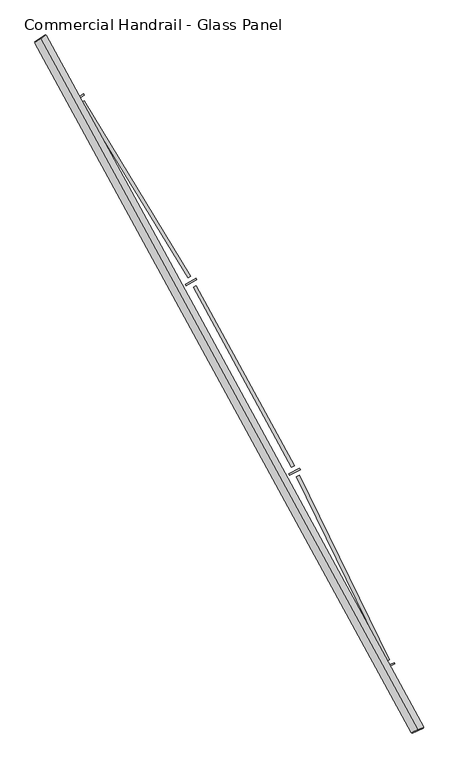
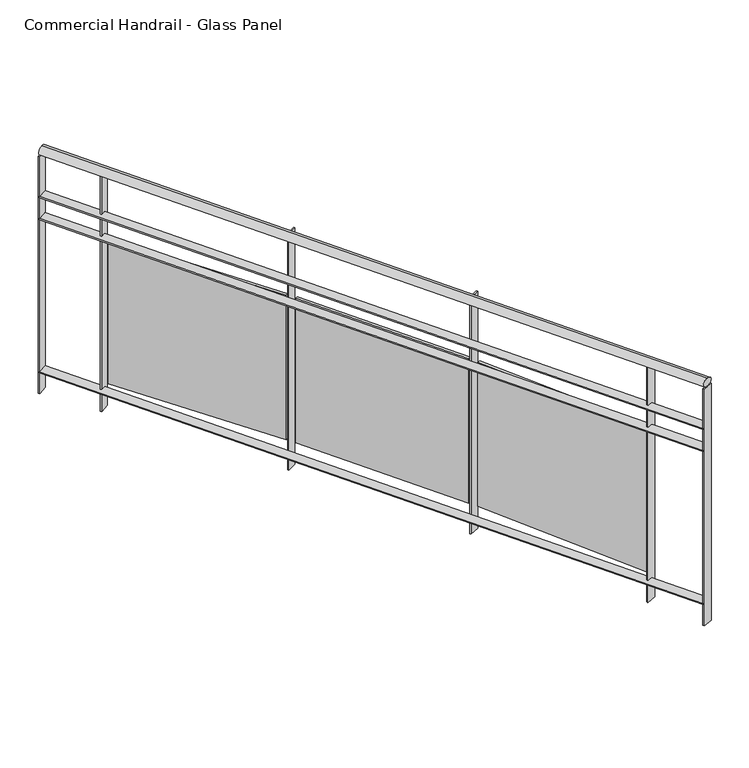
"""IFC4 building model written with IfcOpenShell, lengths in millimetres: railing geometry, Commercial Handrail - Glass Panel."""

from ifc_helpers import new_model, si_unit, point, frame, origin, place, context, project, spatial, polyline, circle_curve, ellipse_curve, trimmed, outline, extrude, source, transform, mapped, element, save
from ifc_brep_helpers import plane_surface, cylinder_surface, revolved_surface, advanced_brep


def commercial_handrail_glass_panel_9da19c7a(model_context):
    return source(origin(), model_context, "Body", "SolidModel", [
        advanced_brep(
        [(152681.2087099, -42805.7971709, 23082.5), (154079.9485011, -45365.2391742, 23082.5), (154079.9485011, -45365.2391742, 23117.5), (152681.2087099, -42805.7971709, 23117.5)],
        [
            (0, 1, circle_curve(frame((138512.5563245, -52210.9198633, 23082.5), z_axis=(0.0, 0.0, -1.0), x_axis=(0.9154011077709024, 0.40254293173747885, 0.0)), 17006.0884179)),
            (1, 2, ellipse_curve(frame((154079.9485011, -45365.2391742, 23100.0), z_axis=(-0.4025429317374835, 0.9154011077709004, 0.0), x_axis=(0.9154011077709004, 0.4025429317374835, 0.0)), 25.0, 17.5)),
            (2, 3, circle_curve(frame((138512.5563245, -52210.9198633, 23117.5), z_axis=(0.0, 0.0, 1.0), x_axis=(0.9154011077709024, 0.40254293173747885, 0.0)), 17006.0884179)),
            (3, 0, ellipse_curve(frame((152681.2087099, -42805.7971709, 23100.0), z_axis=(0.5530444427532936, -0.8331517534877418, 0.0), x_axis=(0.8331517534877418, 0.5530444427532936, 0.0)), 25.0, 17.5)),
            (2, 1, ellipse_curve(frame((154079.9485011, -45365.2391742, 23100.0), z_axis=(-0.4025429317374835, 0.9154011077709004, 0.0), x_axis=(0.9154011077709004, 0.4025429317374835, 0.0)), 25.0, 17.5)),
            (0, 3, ellipse_curve(frame((152681.2087099, -42805.7971709, 23100.0), z_axis=(0.5530444427532936, -0.8331517534877418, 0.0), x_axis=(0.8331517534877418, 0.5530444427532936, 0.0)), 25.0, 17.5)),
        ],
        [
            revolved_surface(trimmed(ellipse_curve(frame((154079.9485011, -45365.2391742, 23100.0), z_axis=(0.40254293173747885, -0.9154011077709024, 0.0), x_axis=(0.0, 0.0, -1.0)), 17.5, 25.0), [point((154079.9485011, -45365.2391742, 23117.5))], [point((154079.9485011, -45365.2391742, 23082.5))], True, "CARTESIAN"), (138512.5563245, -52210.9198633, 23100.0), (0.0, 0.0, 1.0)),
            revolved_surface(trimmed(ellipse_curve(frame((154079.9485011, -45365.2391742, 23100.0), z_axis=(0.40254293173747885, -0.9154011077709024, 0.0), x_axis=(0.0, 0.0, -1.0)), 17.5, 25.0), [point((154079.9485011, -45365.2391742, 23082.5))], [point((154079.9485011, -45365.2391742, 23117.5))], True, "CARTESIAN"), (138512.5563245, -52210.9198633, 23100.0), (0.0, 0.0, 1.0)),
            plane_surface(frame((154079.9485011, -45365.2391742, 23100.0), z_axis=(0.4025429317374789, -0.9154011077709026, 0.0), x_axis=(0.9154011077709026, 0.4025429317374789, 0.0))),
            plane_surface(frame((152681.2087099, -42805.7971709, 23100.0), z_axis=(-0.5530444427532946, 0.8331517534877412, 0.0), x_axis=(0.8331517534877412, 0.5530444427532946, 0.0))),
        ],
        [
            (0, [[1, 2, 3, 4]]),
            (1, [[-3, 5, -1, 6]]),
            (2, [[-2, -5]]),
            (3, [[-6, -4]]),
        ],
    ),
        advanced_brep(
        [(152662.4627954, -42818.2406708, 22900.0), (154059.3519762, -45374.2963902, 22900.0), (154100.545026, -45356.1819583, 22900.0), (152699.9546243, -42793.3536709, 22900.0), (152662.4627954, -42818.2406708, 22894.0), (154059.3519762, -45374.2963902, 22894.0), (152699.9546243, -42793.3536709, 22894.0), (154100.545026, -45356.1819583, 22894.0)],
        [
            (0, 1, circle_curve(frame((138512.5563245, -52210.9198633, 22900.0), z_axis=(0.0, 0.0, -1.0), x_axis=(0.9154011077709024, 0.40254293173747885, 0.0)), 16983.5884179)),
            (1, 2),
            (2, 3, circle_curve(frame((138512.5563245, -52210.9198633, 22900.0), z_axis=(0.0, 0.0, 1.0), x_axis=(0.9154011077709024, 0.40254293173747885, 0.0)), 17028.5884179)),
            (3, 0),
            (4, 5, circle_curve(frame((138512.5563245, -52210.9198633, 22894.0), z_axis=(0.0, 0.0, -1.0), x_axis=(0.9154011077709024, 0.40254293173747885, 0.0)), 16983.5884179)),
            (5, 1),
            (0, 4),
            (6, 7, circle_curve(frame((138512.5563245, -52210.9198633, 22894.0), z_axis=(0.0, 0.0, -1.0), x_axis=(0.9154011077709024, 0.40254293173747885, 0.0)), 17028.5884179)),
            (7, 5),
            (4, 6),
            (2, 7),
            (6, 3),
        ],
        [
            plane_surface(frame((138512.5563245, -52210.9198633, 22900.0), z_axis=(0.0, 0.0, 1.0000000000000002), x_axis=(0.9154011077709026, 0.4025429317374789, 0.0))),
            revolved_surface(polyline([(154059.35197617073, -45374.296390135845, 22900.0), (154059.35197617073, -45374.296390135845, 22894.0)]), (138512.5563245, -52210.9198633, 22900.0), (0.0, 0.0, 1.0)),
            plane_surface(frame((138512.5563245, -52210.9198633, 22894.0), z_axis=(0.0, 0.0, -1.0000000000000002), x_axis=(0.9154011077709026, 0.4025429317374789, 0.0))),
            cylinder_surface(frame((138512.5563245, -52210.9198633, 22900.0), z_axis=(0.0, 0.0, 1.0), x_axis=(0.9154011077709024, 0.40254293173747885, 0.0)), 17028.5884179),
            plane_surface(frame((154079.9485011, -45365.2391742, 22900.0), z_axis=(0.4025429317374789, -0.9154011077709026, 0.0), x_axis=(0.9154011077709026, 0.4025429317374789, 0.0))),
            plane_surface(frame((152681.2087099, -42805.7971709, 22900.0), z_axis=(-0.5530444427532946, 0.8331517534877412, 0.0), x_axis=(0.8331517534877412, 0.5530444427532946, 0.0))),
        ],
        [
            (0, [[1, 2, 3, 4]]),
            (1, [[5, 6, -1, 7]]),
            (2, [[8, 9, -5, 10]]),
            (3, [[-3, 11, -8, 12]]),
            (4, [[-2, -6, -9, -11]]),
            (5, [[-12, -10, -7, -4]]),
        ],
    ),
        advanced_brep(
        [(152662.4627954, -42818.2406708, 22800.0), (154059.3519762, -45374.2963902, 22800.0), (154100.545026, -45356.1819583, 22800.0), (152699.9546243, -42793.3536709, 22800.0), (152662.4627954, -42818.2406708, 22794.0), (154059.3519762, -45374.2963902, 22794.0), (152699.9546243, -42793.3536709, 22794.0), (154100.545026, -45356.1819583, 22794.0)],
        [
            (0, 1, circle_curve(frame((138512.5563245, -52210.9198633, 22800.0), z_axis=(0.0, 0.0, -1.0), x_axis=(0.9154011077709024, 0.40254293173747885, 0.0)), 16983.5884179)),
            (1, 2),
            (2, 3, circle_curve(frame((138512.5563245, -52210.9198633, 22800.0), z_axis=(0.0, 0.0, 1.0), x_axis=(0.9154011077709024, 0.40254293173747885, 0.0)), 17028.5884179)),
            (3, 0),
            (4, 5, circle_curve(frame((138512.5563245, -52210.9198633, 22794.0), z_axis=(0.0, 0.0, -1.0), x_axis=(0.9154011077709024, 0.40254293173747885, 0.0)), 16983.5884179)),
            (5, 1),
            (0, 4),
            (6, 7, circle_curve(frame((138512.5563245, -52210.9198633, 22794.0), z_axis=(0.0, 0.0, -1.0), x_axis=(0.9154011077709024, 0.40254293173747885, 0.0)), 17028.5884179)),
            (7, 5),
            (4, 6),
            (2, 7),
            (6, 3),
        ],
        [
            plane_surface(frame((138512.5563245, -52210.9198633, 22800.0), z_axis=(0.0, 0.0, 1.0000000000000002), x_axis=(0.9154011077709026, 0.4025429317374789, 0.0))),
            revolved_surface(polyline([(154059.35197617073, -45374.296390135845, 22800.0), (154059.35197617073, -45374.296390135845, 22794.0)]), (138512.5563245, -52210.9198633, 22800.0), (0.0, 0.0, 1.0)),
            plane_surface(frame((138512.5563245, -52210.9198633, 22794.0), z_axis=(0.0, 0.0, -1.0000000000000002), x_axis=(0.9154011077709026, 0.4025429317374789, 0.0))),
            cylinder_surface(frame((138512.5563245, -52210.9198633, 22800.0), z_axis=(0.0, 0.0, 1.0), x_axis=(0.9154011077709024, 0.40254293173747885, 0.0)), 17028.5884179),
            plane_surface(frame((154079.9485011, -45365.2391742, 22800.0), z_axis=(0.4025429317374789, -0.9154011077709026, 0.0), x_axis=(0.9154011077709026, 0.4025429317374789, 0.0))),
            plane_surface(frame((152681.2087099, -42805.7971709, 22800.0), z_axis=(-0.5530444427532946, 0.8331517534877412, 0.0), x_axis=(0.8331517534877412, 0.5530444427532946, 0.0))),
        ],
        [
            (0, [[1, 2, 3, 4]]),
            (1, [[5, 6, -1, 7]]),
            (2, [[8, 9, -5, 10]]),
            (3, [[-3, 11, -8, 12]]),
            (4, [[-2, -6, -9, -11]]),
            (5, [[-12, -10, -7, -4]]),
        ],
    ),
        advanced_brep(
        [(152662.4627954, -42818.2406708, 22100.0), (154059.3519762, -45374.2963902, 22100.0), (154100.545026, -45356.1819583, 22100.0), (152699.9546243, -42793.3536709, 22100.0), (152662.4627954, -42818.2406708, 22094.0), (154059.3519762, -45374.2963902, 22094.0), (152699.9546243, -42793.3536709, 22094.0), (154100.545026, -45356.1819583, 22094.0)],
        [
            (0, 1, circle_curve(frame((138512.5563245, -52210.9198633, 22100.0), z_axis=(0.0, 0.0, -1.0), x_axis=(0.9154011077709024, 0.40254293173747885, 0.0)), 16983.5884179)),
            (1, 2),
            (2, 3, circle_curve(frame((138512.5563245, -52210.9198633, 22100.0), z_axis=(0.0, 0.0, 1.0), x_axis=(0.9154011077709024, 0.40254293173747885, 0.0)), 17028.5884179)),
            (3, 0),
            (4, 5, circle_curve(frame((138512.5563245, -52210.9198633, 22094.0), z_axis=(0.0, 0.0, -1.0), x_axis=(0.9154011077709024, 0.40254293173747885, 0.0)), 16983.5884179)),
            (5, 1),
            (0, 4),
            (6, 7, circle_curve(frame((138512.5563245, -52210.9198633, 22094.0), z_axis=(0.0, 0.0, -1.0), x_axis=(0.9154011077709024, 0.40254293173747885, 0.0)), 17028.5884179)),
            (7, 5),
            (4, 6),
            (2, 7),
            (6, 3),
        ],
        [
            plane_surface(frame((138512.5563245, -52210.9198633, 22100.0), z_axis=(0.0, 0.0, 1.0000000000000002), x_axis=(0.9154011077709026, 0.4025429317374789, 0.0))),
            revolved_surface(polyline([(154059.35197617073, -45374.296390135845, 22100.0), (154059.35197617073, -45374.296390135845, 22094.0)]), (138512.5563245, -52210.9198633, 22100.0), (0.0, 0.0, 1.0)),
            plane_surface(frame((138512.5563245, -52210.9198633, 22094.0), z_axis=(0.0, 0.0, -1.0000000000000002), x_axis=(0.9154011077709026, 0.4025429317374789, 0.0))),
            cylinder_surface(frame((138512.5563245, -52210.9198633, 22100.0), z_axis=(0.0, 0.0, 1.0), x_axis=(0.9154011077709024, 0.40254293173747885, 0.0)), 17028.5884179),
            plane_surface(frame((154079.9485011, -45365.2391742, 22100.0), z_axis=(0.4025429317374789, -0.9154011077709026, 0.0), x_axis=(0.9154011077709026, 0.4025429317374789, 0.0))),
            plane_surface(frame((152681.2087099, -42805.7971709, 22100.0), z_axis=(-0.5530444427532946, 0.8331517534877412, 0.0), x_axis=(0.8331517534877412, 0.5530444427532946, 0.0))),
        ],
        [
            (0, [[1, 2, 3, 4]]),
            (1, [[5, 6, -1, 7]]),
            (2, [[8, 9, -5, 10]]),
            (3, [[-3, 11, -8, 12]]),
            (4, [[-2, -6, -9, -11]]),
            (5, [[-12, -10, -7, -4]]),
        ],
    ),
        extrude(outline(polyline([(152843.9746071, -43014.0028518), (152806.1064717, -43038.3134324), (152802.865061, -43033.2643477), (152840.7331963, -43008.9537671), (152843.9746071, -43014.0028518)])), frame((0.0, 0.0, 22000.0), z_axis=(0.0, 0.0, 1.0), x_axis=(1.0, 0.0, 0.0)), (0.0, 0.0, 1.0), 1082.1192282),
        extrude(outline(polyline([(153228.1233935, -43690.3863087), (152832.6997466, -43041.3561558), (152842.9475911, -43035.1126245), (153238.371238, -43684.1427775), (153228.1233935, -43690.3863087)])), frame((0.0, 0.0, 22120.0), z_axis=(0.0, 0.0, 1.0), x_axis=(1.0, 0.0, 0.0)), (0.0, 0.0, 1.0), 660.0),
        extrude(outline(polyline([(153260.6017897, -43698.1067288), (153221.6323507, -43720.6096803), (153218.6319572, -43715.4137551), (153257.6013961, -43692.9108036), (153260.6017897, -43698.1067288)])), frame((0.0, 0.0, 22000.0), z_axis=(0.0, 0.0, 1.0), x_axis=(1.0, 0.0, 0.0)), (0.0, 0.0, 1.0), 1082.1192282),
        extrude(outline(polyline([(153612.5189238, -44391.8063767), (153248.0531233, -43724.8995764), (153258.5832307, -43719.1448533), (153623.0490312, -44386.0516536), (153612.5189238, -44391.8063767)])), frame((0.0, 0.0, 22120.0), z_axis=(0.0, 0.0, 1.0), x_axis=(1.0, 0.0, 0.0)), (0.0, 0.0, 1.0), 660.0),
        extrude(outline(polyline([(153644.5983402, -44401.0455404), (153604.6138191, -44421.6910742), (153601.8610812, -44416.3598047), (153641.8456024, -44395.7142709), (153644.5983402, -44401.0455404)])), frame((0.0, 0.0, 22000.0), z_axis=(0.0, 0.0, 1.0), x_axis=(1.0, 0.0, 0.0)), (0.0, 0.0, 1.0), 1082.1192282),
        extrude(outline(polyline([(153963.5051916, -45110.5265416), (153630.8036324, -44427.2186516), (153641.5927043, -44421.965469), (153974.2942635, -45105.273359), (153963.5051916, -45110.5265416)])), frame((0.0, 0.0, 22120.0), z_axis=(0.0, 0.0, 1.0), x_axis=(1.0, 0.0, 0.0)), (0.0, 0.0, 1.0), 660.0),
        extrude(outline(polyline([(153995.1146513, -45121.2640068), (153954.2035152, -45140.0064439), (153951.7045236, -45134.5516257), (153992.6156597, -45115.8091887), (153995.1146513, -45121.2640068)])), frame((0.0, 0.0, 22000.0), z_axis=(0.0, 0.0, 1.0), x_axis=(1.0, 0.0, 0.0)), (0.0, 0.0, 1.0), 1082.1192282),
        extrude(outline(polyline([(152701.6137576, -42795.8531262), (152664.1219287, -42820.7401261), (152660.8036621, -42815.7412156), (152698.295491, -42790.8542156), (152701.6137576, -42795.8531262)])), frame((0.0, 0.0, 22000.0), z_axis=(0.0, 0.0, 1.0), x_axis=(1.0, 0.0, 0.0)), (0.0, 0.0, 1.0), 1082.1192282),
        extrude(outline(polyline([(154101.7526548, -45358.9281616), (154060.559605, -45377.0425935), (154058.1443474, -45371.5501869), (154099.3373972, -45353.4357549), (154101.7526548, -45358.9281616)])), frame((0.0, 0.0, 22000.0), z_axis=(0.0, 0.0, 1.0), x_axis=(1.0, 0.0, 0.0)), (0.0, 0.0, 1.0), 1082.1192282),
    ])


if __name__ == "__main__":
    model = new_model("IFC4")
    model_context = context("Model", 3, world=origin())
    ifc_project = project(units=[si_unit("LENGTHUNIT", "METRE", prefix="MILLI")], contexts=[model_context])
    site = spatial("IfcSite", under=ifc_project)
    building = spatial("IfcBuilding", under=site)
    placement = place(None, origin())
    commercial_handrail_glass_panel_shape = commercial_handrail_glass_panel_9da19c7a(model_context)
    element("IfcRailing", 1, ObjectType="Commercial Handrail - Glass Panel", at=placement, inside=building, context=model_context, shape_type="MappedRepresentation", body=[
        mapped(commercial_handrail_glass_panel_shape, transform((0.0, 0.0, 0.0), x_axis=(1.0, 0.0, 0.0), y_axis=(0.0, 1.0, 0.0), z_axis=(0.0, 0.0, 1.0))),
    ])
    save(model, "model.ifc")
